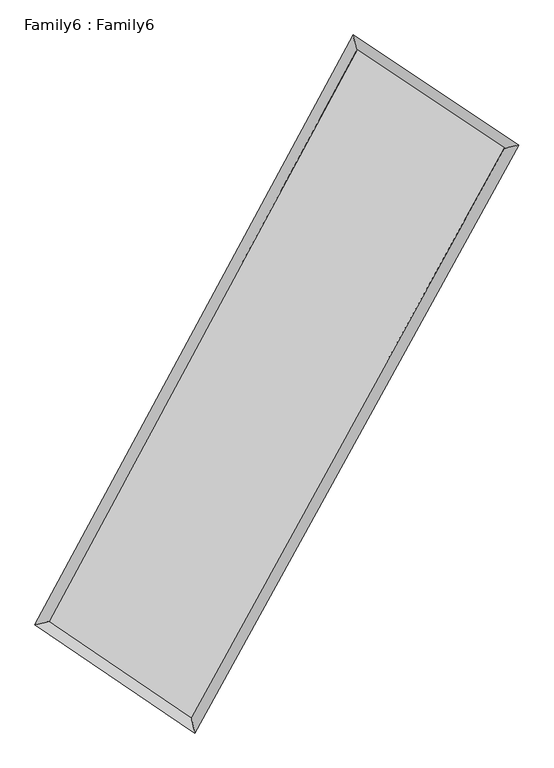
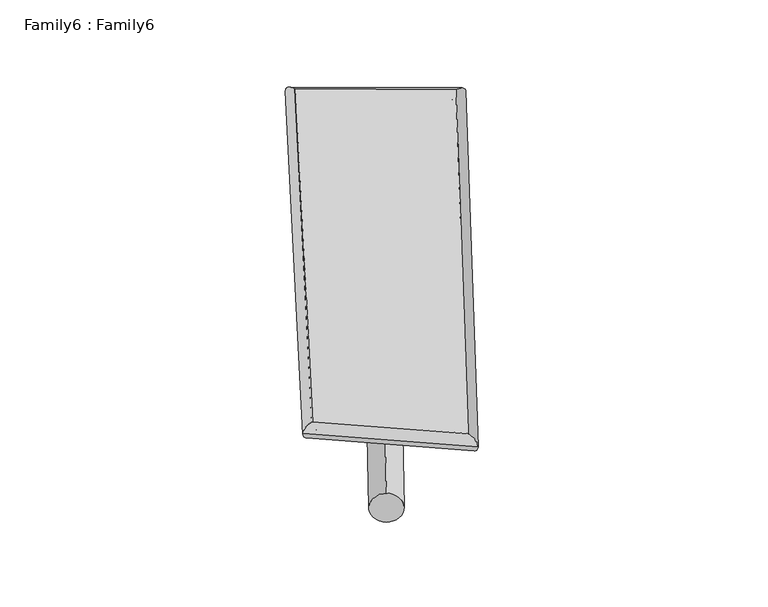
"""IFC4 building model written with IfcOpenShell, lengths in millimetres: plate geometry, Family6 : Family6."""

from ifc_helpers import new_model, si_unit, point, frame, origin, origin_2d, place, context, project, spatial, circle_curve, ellipse_curve, trimmed, segment, composite_curve, outline, extrude, source, transform, mapped, element, save
from ifc_brep_helpers import plane_surface, cylinder_surface, spline_surface, advanced_brep


def family6_family6_e7c856f9(model_context):
    return source(origin(), model_context, "Body", "SolidModel", [
        extrude(outline(composite_curve([segment(trimmed(circle_curve(origin_2d(), 76.2), [point((-75.4341515, -10.7763073))], [point((75.4341515, 10.7763073))], False, "CARTESIAN"), True, "CONTINUOUS"), segment(trimmed(circle_curve(origin_2d(), 76.2), [point((75.4341515, 10.7763073))], [point((-75.4341515, -10.7763073))], False, "CARTESIAN"), True, "CONTINUOUS")], self_intersect=False)), frame((9144.0, 9144.0, 0.0), z_axis=(0.6688084384728845, 0.6843312954184921, 0.2904926001438083), x_axis=(-0.6781835301880471, 0.7216826038759903, -0.1387130802932763)), (0.0, 0.0, 1.0), 5435.1375179),
        extrude(outline(composite_curve([segment(trimmed(circle_curve(origin_2d(), 76.2), [point((-53.8815367, 53.8815367))], [point((53.8815367, -53.8815367))], False, "CARTESIAN"), True, "CONTINUOUS"), segment(trimmed(circle_curve(origin_2d(), 76.2), [point((53.8815367, -53.8815367))], [point((-53.8815367, 53.8815367))], False, "CARTESIAN"), True, "CONTINUOUS")], self_intersect=False)), frame((9144.0, 9144.0, 0.0), z_axis=(-0.6625628493924751, -0.6898660596495382, 0.2917109705659771), x_axis=(0.6551760625129757, -0.34505996172316916, 0.6720698995830706)), (0.0, 0.0, 1.0), 5416.6587657),
        extrude(outline(composite_curve([segment(trimmed(circle_curve(origin_2d(), 76.2), [point((-53.8815367, -53.8815367))], [point((53.8815367, 53.8815367))], False, "CARTESIAN"), True, "CONTINUOUS"), segment(trimmed(circle_curve(origin_2d(), 76.2), [point((53.8815367, 53.8815367))], [point((-53.8815367, -53.8815367))], False, "CARTESIAN"), True, "CONTINUOUS")], self_intersect=False)), frame((9144.0, 9144.0, 0.0), z_axis=(0.22750664846801794, 0.9384295709116172, 0.2599820481138803), x_axis=(-0.8461461042643071, 0.3226502673421016, -0.42418577913740424)), (0.0, 0.0, 1.0), 5634.2044538),
        extrude(outline(composite_curve([segment(trimmed(circle_curve(origin_2d(), 76.2), [point((-75.4341514, 10.7763073))], [point((75.4341514, -10.7763073))], False, "CARTESIAN"), True, "CONTINUOUS"), segment(trimmed(circle_curve(origin_2d(), 76.2), [point((75.4341514, -10.7763073))], [point((-75.4341514, 10.7763073))], False, "CARTESIAN"), True, "CONTINUOUS")], self_intersect=False)), frame((9144.0, 9144.0, 0.0), z_axis=(-0.23478110911413325, -0.9366757607590218, 0.2598390848383772), x_axis=(0.8913607389645121, -0.10082639487746557, 0.4419389902788079)), (0.0, 0.0, 1.0), 5631.5779841),
        advanced_brep(
        [(5356.1428963, 5358.8264005, 1572.267197), (5355.8723884, 5358.3578776, 1590.7645857), (5754.1033718, 5455.6355212, 1587.9303745), (10480.2871414, 14211.967116, 1476.0447192), (10371.3508027, 14650.6410201, 1453.5393076), (5754.3738797, 5456.1040442, 1569.4329858), (12577.9992665, 12814.349791, 1577.732718), (12980.1324059, 12912.5196058, 1580.0017414), (7769.0071227, 4088.957417, 1465.6258271), (7874.616627, 3649.117398, 1460.9823121)],
        [
            (0, 1, ellipse_curve(frame((5555.123134, 5407.2309609, 1580.0987858), z_axis=(-0.2371022956440043, 0.9712547918699107, 0.021133638354042895), x_axis=(-0.9704871163306508, -0.23778836431153655, 0.040142880243722534)), 205.4458374, 152.4)),
            (1, 2, ellipse_curve(frame((5555.123134, 5407.2309609, 1580.0987858), z_axis=(-0.2371022956440043, 0.9712547918699107, 0.021133638354042895), x_axis=(-0.9704871163306508, -0.23778836431153655, 0.040142880243722534)), 205.4458374, 152.4)),
            (2, 3),
            (3, 4, ellipse_curve(frame((10425.8189721, 14431.304068, 1464.7920134), z_axis=(-0.970036874072898, -0.24199740139927442, -0.021580561968564047), x_axis=(0.24117626604098139, -0.9698547636754928, 0.034867550451439897)), 226.3089978, 152.4)),
            (4, 0),
            (2, 5, ellipse_curve(frame((5555.123134, 5407.2309609, 1580.0987858), z_axis=(-0.2371022956440043, 0.9712547918699107, 0.021133638354042895), x_axis=(-0.9704871163306508, -0.23778836431153655, 0.040142880243722534)), 205.4458374, 152.4)),
            (5, 0, ellipse_curve(frame((5555.123134, 5407.2309609, 1580.0987858), z_axis=(-0.2371022956440043, 0.9712547918699107, 0.021133638354042895), x_axis=(-0.9704871163306508, -0.23778836431153655, 0.040142880243722534)), 205.4458374, 152.4)),
            (4, 3, ellipse_curve(frame((10425.8189721, 14431.304068, 1464.7920134), z_axis=(-0.970036874072898, -0.24199740139927442, -0.021580561968564047), x_axis=(0.24117626604098139, -0.9698547636754928, 0.034867550451439897)), 226.3089978, 152.4)),
            (3, 6),
            (6, 7, ellipse_curve(frame((12779.0658362, 12863.4346984, 1578.8672297), z_axis=(-0.23700677638277584, 0.971307424255195, -0.019740200996534712), x_axis=(-0.9706135534449895, -0.2376113967871271, -0.03808088740773918)), 207.0674348, 152.4)),
            (7, 4),
            (7, 6, ellipse_curve(frame((12779.0658362, 12863.4346984, 1578.8672297), z_axis=(-0.23700677638277584, 0.971307424255195, -0.019740200996534712), x_axis=(-0.9706135534449895, -0.2376113967871271, -0.03808088740773918)), 207.0674348, 152.4)),
            (6, 8),
            (8, 9, ellipse_curve(frame((7821.8118748, 3869.0374075, 1463.3040696), z_axis=(0.9720441591143062, 0.2336421278072163, -0.023270342616253974), x_axis=(-0.2327258570489644, 0.9718600060544729, 0.036425322134811554)), 226.2758312, 152.4)),
            (9, 7),
            (9, 8, ellipse_curve(frame((7821.8118748, 3869.0374075, 1463.3040696), z_axis=(0.9720441591143062, 0.2336421278072163, -0.023270342616253974), x_axis=(-0.2327258570489644, 0.9718600060544729, 0.036425322134811554)), 226.2758312, 152.4)),
            (8, 5),
            (1, 9),
        ],
        [
            cylinder_surface(frame((5555.123134, 5407.2309609, 1580.0987858), z_axis=(-0.47494495474326026, -0.8799436745807757, 0.0112436439468892), x_axis=(-0.8786619502848763, 0.47346736679439955, -0.061496582851042085)), 152.4),
            cylinder_surface(frame((10425.8189721, 14431.304068, 1464.7920134), z_axis=(-0.8315308903961908, 0.5540140445171371, -0.04030901629514202), x_axis=(0.5552150308228948, 0.8311800606401396, -0.02959689751622634)), 152.4),
            cylinder_surface(frame((12779.0658362, 12863.4346984, 1578.8672297), z_axis=(0.48266065151738746, 0.8757351731904256, 0.011251751594599294), x_axis=(0.8758026677470965, -0.4826606515173874, -0.0028952795858297404)), 152.4),
            cylinder_surface(frame((7821.8118748, 3869.0374075, 1463.3040696), z_axis=(0.8267105618432586, -0.5610125615573843, -0.042597566968383564), x_axis=(-0.5601328087276225, -0.8278044569419414, 0.031480432874442535)), 152.4),
        ],
        [
            (0, [[1, 2, 3, 4, 5]]),
            (0, [[6, 7, -5, 8, -3]]),
            (1, [[-4, 9, 10, 11]]),
            (1, [[-8, -11, 12, -9]]),
            (2, [[-10, 13, 14, 15]]),
            (2, [[-12, -15, 16, -13]]),
            (3, [[-14, 17, -6, -2, 18]]),
            (3, [[-16, -18, -1, -7, -17]]),
        ],
    ),
        extrude(outline(composite_curve([segment(trimmed(circle_curve(origin_2d(), 304.8), [point((0.0, 304.7999999))], [point((0.0, -304.8))], False, "CARTESIAN"), True, "CONTINUOUS"), segment(trimmed(circle_curve(origin_2d(), 304.8), [point((0.0, -304.8))], [point((0.0, 304.7999999))], False, "CARTESIAN"), True, "CONTINUOUS")], self_intersect=False)), frame((11662.0351685, 13626.2617044, -0.0775671), z_axis=(-0.48978286621864514, -0.8718444492746479, 1.5087568134248905e-05), x_axis=(-0.8718444493962577, 0.48978286621864514, -3.9477812207766815e-06)), (0.0, 0.0, 1.0), 10282.2509409),
        advanced_brep(
        [(5555.123134, 5407.2309609, 1580.0987858), (7821.8118748, 3869.0374075, 1463.3040696), (7821.7846222, 3869.0478415, 1615.7040668), (5555.0958814, 5407.2413948, 1732.498783), (12779.0658362, 12863.4346984, 1578.8672297), (12779.0385836, 12863.4451324, 1731.2672269), (10425.8189721, 14431.304068, 1464.7920134), (10425.7917194, 14431.314502, 1617.1920106)],
        [
            (0, 1),
            (1, 2),
            (2, 3),
            (3, 0),
            (1, 4),
            (4, 5),
            (5, 2),
            (4, 6),
            (6, 7),
            (7, 5),
            (6, 0),
            (3, 7),
        ],
        [
            plane_surface(frame((6688.4675044, 4638.1341842, 1521.7014277), z_axis=(-0.5615237921156624, -0.8274605905859999, -4.376202660634487e-05), x_axis=(0.8267105618432589, -0.5610125615573839, -0.04259756696838354))),
            plane_surface(frame((10300.4388555, 8366.236053, 1521.0856496), z_axis=(0.8757895674497387, -0.48269306766896886, 0.00018965895778556927), x_axis=(0.48266065151738724, 0.8757351731904257, 0.011251751594599338))),
            plane_surface(frame((11602.4424042, 13647.3693832, 1521.8296216), z_axis=(0.5544632629988764, 0.8322082000352792, 4.2174396578918e-05), x_axis=(-0.8315308903961905, 0.5540140445171372, -0.040309016295142004))),
            plane_surface(frame((7990.4710531, 9919.2675145, 1522.4453996), z_axis=(-0.880000299147829, 0.4749730912841581, -0.0001898833918096499), x_axis=(-0.4749449547432604, -0.8799436745807756, 0.011243643946889217))),
            spline_surface(1, 1, [[(7821.7846222, 3869.0478415, 1615.7040668), (5555.0958814, 5407.2413948, 1732.498783)], [(12779.0385836, 12863.4451324, 1731.2672269), (10425.7917194, 14431.314502, 1617.1920106)]], [2, 2], [2, 2], [0.0, 1.0], [0.0, 1.0]),
            spline_surface(1, 1, [[(10425.8189721, 14431.304068, 1464.7920134), (5555.123134, 5407.2309609, 1580.0987858)], [(12779.0658362, 12863.4346984, 1578.8672297), (7821.8118748, 3869.0374075, 1463.3040696)]], [2, 2], [2, 2], [0.0, 1.0], [0.0, 1.0]),
        ],
        [
            (0, [[1, 2, 3, 4]]),
            (1, [[5, 6, 7, -2]]),
            (2, [[8, 9, 10, -6]]),
            (3, [[11, -4, 12, -9]]),
            (4, [[-3, -7, -10, -12]]),
            (5, [[-11, -8, -5, -1]]),
        ],
    ),
    ])


if __name__ == "__main__":
    model = new_model("IFC4")
    model_context = context("Model", 3, world=origin())
    ifc_project = project(units=[si_unit("LENGTHUNIT", "METRE", prefix="MILLI")], contexts=[model_context])
    site = spatial("IfcSite", under=ifc_project)
    building = spatial("IfcBuilding", under=site)
    placement = place(None, origin())
    family6_family6_shape = family6_family6_e7c856f9(model_context)
    element("IfcPlate", 1, ObjectType="Family6 : Family6", at=placement, inside=building, context=model_context, shape_type="MappedRepresentation", body=[
        mapped(family6_family6_shape, transform((0.0, 0.0, 0.0), x_axis=(1.0, 0.0, 0.0), y_axis=(0.0, 1.0, 0.0), z_axis=(0.0, 0.0, 1.0))),
    ])
    save(model, "model.ifc")
